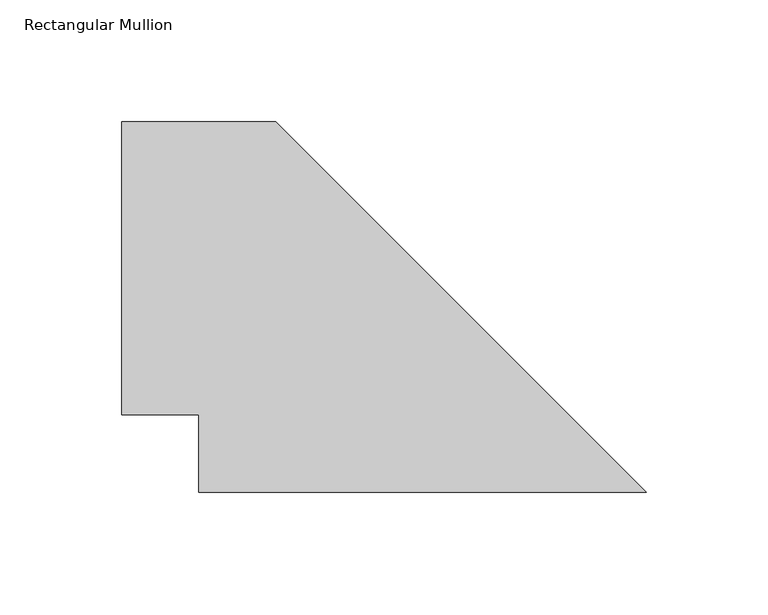
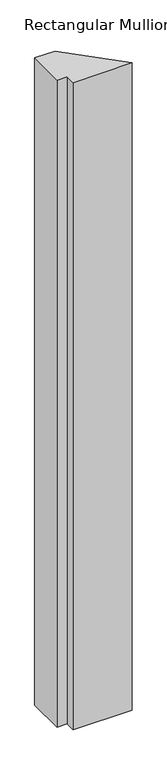
"""IFC4 building model written with IfcOpenShell, lengths in millimetres: member geometry, Rectangular Mullion."""

from ifc_helpers import new_model, si_unit, frame, origin, place, context, project, spatial, polyline, outline, extrude, source, transform, mapped, element, save


def rectangular_mullion_34b59a6b(model_context):
    return source(origin(), model_context, "Body", "SweptSolid", [
        extrude(outline(polyline([(-215.9, 152.4), (-152.4, 152.4), (0.0, 0.0), (-184.15, 0.0), (-184.15, 31.75), (-215.9, 31.75), (-215.9, 152.4)])), frame((0.0, 0.0, -2133.6), z_axis=(0.0, 0.0, 1.0), x_axis=(1.0, 0.0, 0.0)), (0.0, 0.0, 1.0), 2133.6),
    ])


if __name__ == "__main__":
    model = new_model("IFC4")
    model_context = context("Model", 3, world=origin())
    ifc_project = project(units=[si_unit("LENGTHUNIT", "METRE", prefix="MILLI")], contexts=[model_context])
    site = spatial("IfcSite", under=ifc_project)
    building = spatial("IfcBuilding", under=site)
    placement = place(None, origin())
    rectangular_mullion_shape = rectangular_mullion_34b59a6b(model_context)
    element("IfcMember", 1, ObjectType="Rectangular Mullion", at=placement, inside=building, context=model_context, shape_type="MappedRepresentation", body=[
        mapped(rectangular_mullion_shape, transform((0.0, 0.0, 0.0), x_axis=(1.0, 0.0, 0.0), y_axis=(0.0, 1.0, 0.0), z_axis=(0.0, 0.0, 1.0))),
    ])
    save(model, "model.ifc")
